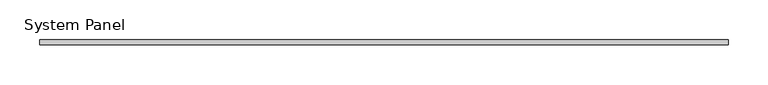
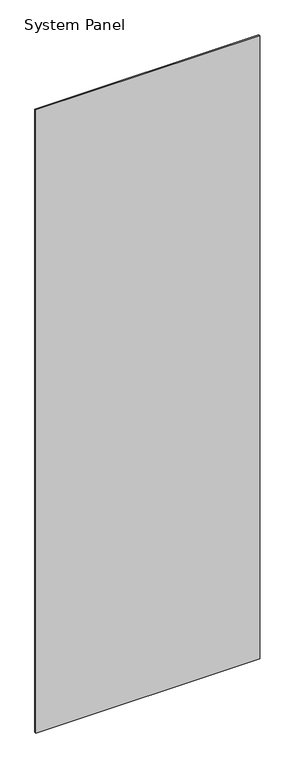
"""IFC4 building model written with IfcOpenShell, lengths in millimetres: plate geometry, System Panel."""

from ifc_helpers import new_model, si_unit, origin, origin_with_axes, place, context, project, spatial, polyline, outline, extrude, source, transform, mapped, element, save


def system_panel_760ffd22(model_context):
    return source(origin(), model_context, "Body", "SweptSolid", [
        extrude(outline(polyline([(431.7, -3.0), (-431.7, -3.0), (-431.7, 3.0), (431.7, 3.0), (431.7, -3.0)])), origin_with_axes(), (0.0, 0.0, 1.0), 2540.0),
    ])


if __name__ == "__main__":
    model = new_model("IFC4")
    model_context = context("Model", 3, world=origin())
    ifc_project = project(units=[si_unit("LENGTHUNIT", "METRE", prefix="MILLI")], contexts=[model_context])
    site = spatial("IfcSite", under=ifc_project)
    building = spatial("IfcBuilding", under=site)
    placement = place(None, origin())
    system_panel_shape = system_panel_760ffd22(model_context)
    element("IfcPlate", 1, ObjectType="System Panel", at=placement, inside=building, context=model_context, shape_type="MappedRepresentation", body=[
        mapped(system_panel_shape, transform((0.0, 0.0, 0.0), x_axis=(1.0, 0.0, 0.0), y_axis=(0.0, 1.0, 0.0), z_axis=(0.0, 0.0, 1.0))),
    ])
    save(model, "model.ifc")
